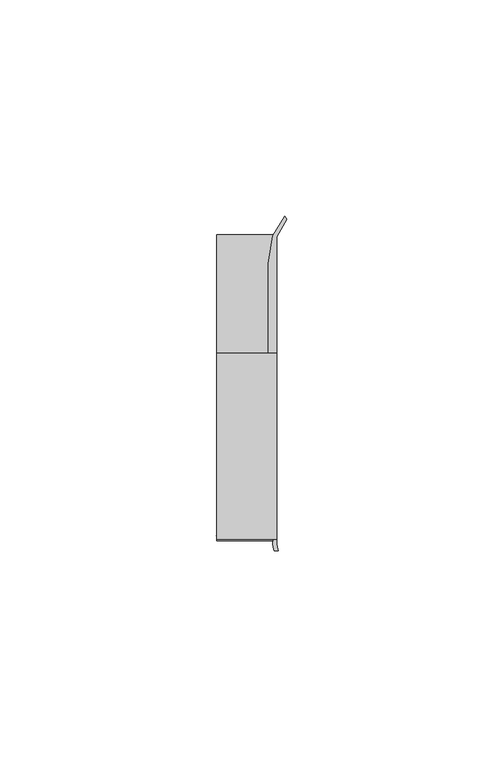
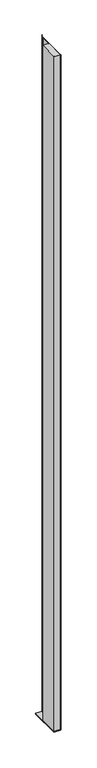
"""IFC4 building model written with IfcOpenShell, lengths in millimetres: furniture geometry."""

from ifc_helpers import new_model, si_unit, point, frame, frame_2d, origin, place, context, project, spatial, polyline, circle_curve, trimmed, segment, composite_curve, outline, extrude, source, transform, mapped, element, save


def furniture_9d7d3860(model_context):
    return source(origin(), model_context, "Body", "SweptSolid", [
        extrude(outline(polyline([(31.9660873, 18.9594777), (31.9660873, -24.0995273), (18.0754623, -24.0995273), (18.0754623, 18.9594777), (31.9660873, 18.9594777)])), frame((0.0, 0.0, 513.0595824), z_axis=(0.0, 0.0, 1.0), x_axis=(1.0, 0.0, 0.0)), (0.0, 0.0, 1.0), 1588.6507176),
        extrude(outline(polyline([(18.0754623, -24.0995273), (18.0754623, 46.6824219), (31.9660873, 46.6824219), (31.9660873, -24.0995273), (18.0754623, -24.0995273)])), frame((0.0, 0.0, 510.5273), z_axis=(0.0, 0.0, 1.0), x_axis=(1.0, 0.0, 0.0)), (0.0, 0.0, 1.0), 2.5322824),
        extrude(outline(composite_curve([segment(polyline([(33.8779838, 50.6802202), (34.2963358, 49.8958113), (31.9660873, 45.8886719), (31.9660873, -25.0252959)]), True, "CONTINUOUS"), segment(trimmed(circle_curve(frame_2d((36.5370848, -24.9306779)), 4.5719767), [point((31.9660873, -25.0252959))], [point((32.3362111, -26.7350146))], True, "CARTESIAN"), True, "CONTINUOUS"), segment(polyline([(32.3362111, -26.7350146), (31.3598061, -26.7312177)]), True, "CONTINUOUS"), segment(trimmed(circle_curve(frame_2d((38.1067431, -24.7767162)), 7.0243316), [point((31.3598061, -26.7312177))], [point((31.0897622, -25.0979846))], False, "CARTESIAN"), True, "CONTINUOUS"), segment(polyline([(31.0897622, -25.0979846), (31.204088, -24.0995273), (18.7580885, -24.0995273), (17.9586029, -23.2998418), (31.2224462, -23.2998418), (31.2224462, 18.9594777), (29.9783377, 18.9594777), (29.9783377, 39.6814262), (31.1100649, 46.0995711), (33.8779838, 50.6802202)]), True, "CONTINUOUS")], self_intersect=False)), frame((0.0, 0.0, 513.0595824), z_axis=(0.0, 0.0, 1.0), x_axis=(1.0, 0.0, 0.0)), (0.0, 0.0, 1.0), 1588.6507176),
    ])


if __name__ == "__main__":
    model = new_model("IFC4")
    model_context = context("Model", 3, world=origin())
    ifc_project = project(units=[si_unit("LENGTHUNIT", "METRE", prefix="MILLI")], contexts=[model_context])
    site = spatial("IfcSite", under=ifc_project)
    building = spatial("IfcBuilding", under=site)
    placement = place(None, origin())
    furniture_shape = furniture_9d7d3860(model_context)
    element("IfcFurniture", 1, at=placement, inside=building, context=model_context, shape_type="MappedRepresentation", body=[
        mapped(furniture_shape, transform((0.0, 0.0, 0.0), x_axis=(1.0, 0.0, 0.0), y_axis=(0.0, 1.0, 0.0), z_axis=(0.0, 0.0, 1.0))),
    ])
    save(model, "model.ifc")
